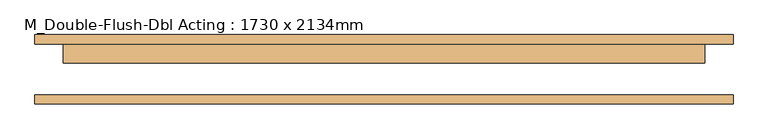
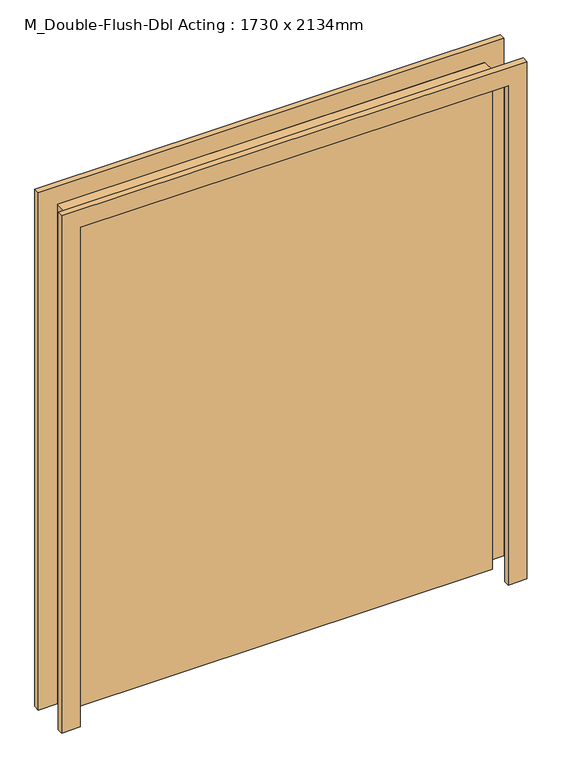
"""IFC4 building model written with IfcOpenShell, lengths in millimetres: door geometry, M_Double-Flush-Dbl Acting : 1730 x 2134mm."""

from ifc_helpers import new_model, si_unit, frame, origin, origin_with_axes, place, context, project, spatial, polyline, outline, extrude, source, transform, mapped, element, save


def m_double_flush_dbl_acting_1730_x_2134mm_cb076238(model_context):
    return source(origin(), model_context, "Body", "SweptSolid", [
        extrude(outline(polyline([(2210.0, -941.0), (0.0, -941.0), (0.0, -865.0), (2134.0, -865.0), (2134.0, 865.0), (0.0, 865.0), (0.0, 941.0), (2210.0, 941.0), (2210.0, -941.0)])), frame((0.0, 68.9, 0.0), z_axis=(0.0, 1.0, 0.0), x_axis=(0.0, 0.0, 1.0)), (0.0, 0.0, 1.0), 25.0),
        extrude(outline(polyline([(-865.0, 68.5), (865.0, 68.5), (865.0, 17.5), (-865.0, 17.5), (-865.0, 68.5)])), origin_with_axes(), (0.0, 0.0, 1.0), 2134.0),
        extrude(outline(polyline([(2134.0, -865.0), (2134.0, 865.0), (0.0, 865.0), (0.0, 941.0), (2210.0, 941.0), (2210.0, -941.0), (0.0, -941.0), (0.0, -865.0), (2134.0, -865.0)])), frame((0.0, -93.5, 0.0), z_axis=(0.0, 1.0, 0.0), x_axis=(0.0, 0.0, 1.0)), (0.0, 0.0, 1.0), 25.0),
    ])


if __name__ == "__main__":
    model = new_model("IFC4")
    model_context = context("Model", 3, world=origin())
    ifc_project = project(units=[si_unit("LENGTHUNIT", "METRE", prefix="MILLI")], contexts=[model_context])
    site = spatial("IfcSite", under=ifc_project)
    building = spatial("IfcBuilding", under=site)
    placement = place(None, origin())
    m_double_flush_dbl_acting_1730_x_2134mm_shape = m_double_flush_dbl_acting_1730_x_2134mm_cb076238(model_context)
    element("IfcDoor", 1, ObjectType="M_Double-Flush-Dbl Acting : 1730 x 2134mm", at=placement, inside=building, context=model_context, shape_type="MappedRepresentation", body=[
        mapped(m_double_flush_dbl_acting_1730_x_2134mm_shape, transform((0.0, 0.0, 0.0), x_axis=(1.0, 0.0, 0.0), y_axis=(0.0, 1.0, 0.0), z_axis=(0.0, 0.0, 1.0))),
    ])
    save(model, "model.ifc")
